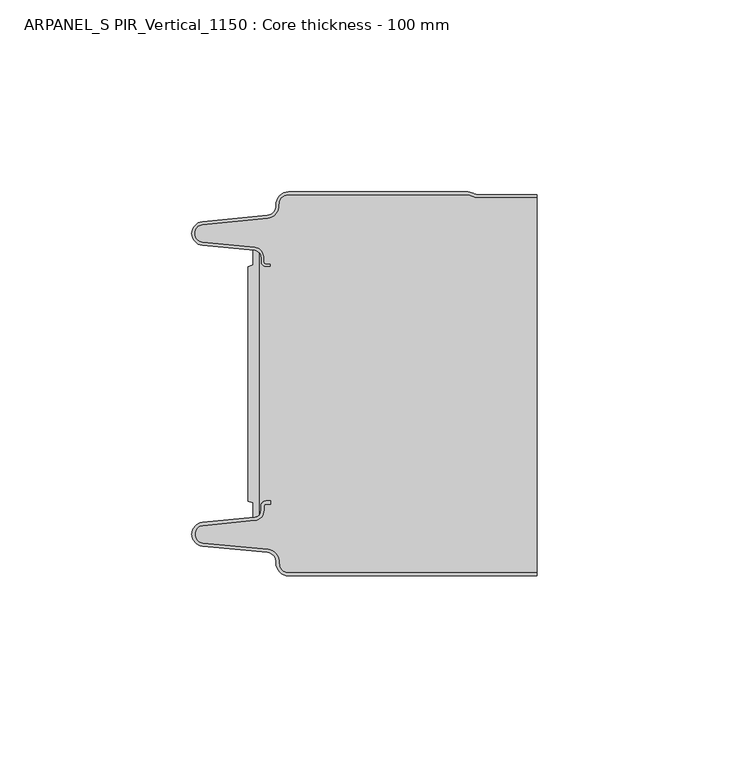
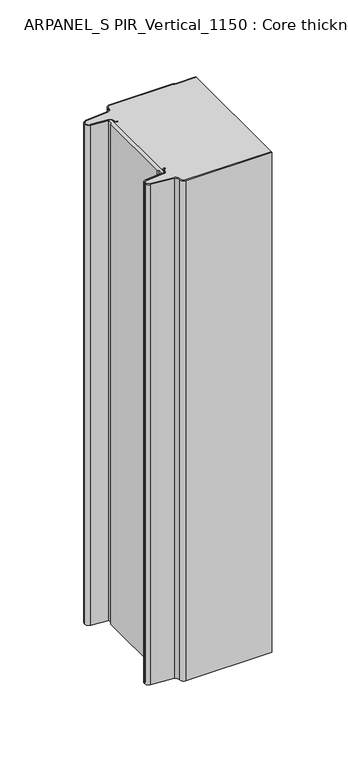
"""IFC4 building model written with IfcOpenShell, lengths in millimetres: plate geometry, ARPANEL_S PIR_Vertical_1150 : Core thickness - 100 mm."""

from ifc_helpers import new_model, si_unit, point, frame, frame_2d, origin, origin_with_axes, place, context, project, spatial, polyline, circle_curve, trimmed, segment, composite_curve, outline, extrude, source, transform, mapped, element, save
from ifc_brep_helpers import plane_surface, cylinder_surface, revolved_surface, advanced_brep


def arpanel_s_pir_vertical_1150_core_thickness_100_mm_01d9d8d1(model_context):
    return source(origin(), model_context, "Body", "SolidModel", [
        extrude(outline(composite_curve([segment(polyline([(-30.2854621, -19.4639745), (-29.0682893, -19.0209598), (-29.0682893, -15.20918)]), True, "CONTINUOUS"), segment(trimmed(circle_curve(frame_2d((-28.9194754, -17.302662)), 2.0987645), [point((-29.0682893, -15.20918))], [point((-27.4659308, -15.7887199))], False, "CARTESIAN"), True, "CONTINUOUS"), segment(polyline([(-27.4659308, -15.7887199), (-27.4659308, -84.2112801)]), True, "CONTINUOUS"), segment(trimmed(circle_curve(frame_2d((-28.9194754, -82.697338)), 2.0987645), [point((-27.4659308, -84.2112801))], [point((-29.0682893, -84.79082))], False, "CARTESIAN"), True, "CONTINUOUS"), segment(polyline([(-29.0682893, -84.79082), (-29.0682893, -80.9790402), (-30.2854621, -80.5360255), (-30.2854621, -19.4639745)]), True, "CONTINUOUS")], self_intersect=False)), origin_with_axes(), (0.0, 0.0, 1.0), 400.0),
        advanced_brep(
        [(-19.8000003, -99.9996949, 0.0), (-22.9923632, -96.5787437, 0.0), (-25.2560431, -93.9171154, 0.0), (-42.2115315, -92.2546153, 0.0), (-44.9999998, -89.1776715, 0.0), (-42.2115315, -86.1007278, 0.0), (-28.6195785, -84.7680252, 0.0), (-26.9952277, -82.9766159, 0.0), (-26.9952277, -81.8996949, 0.0), (-25.5952277, -80.4996949, 0.0), (-24.4952277, -80.4996949, 0.0), (-24.4952277, -81.2996949, 0.0), (-25.5952277, -81.2996949, 0.0), (-26.1952277, -81.8996949, 0.0), (-26.1952277, -82.9766159, 0.0), (-28.5415122, -85.5642071, 0.0), (-42.1334652, -86.8969097, 0.0), (-44.1999997, -89.1776715, 0.0), (-42.1334652, -91.4584333, 0.0), (-25.1779767, -93.1209335, 0.0), (-22.2078761, -96.6330399, 0.0), (-19.8000003, -99.1996949, 0.0), (44.9999998, -99.2, 0.0), (44.9999998, -99.9996949, 0.0), (-19.8000003, -99.1996949, 400.0), (-22.1942724, -96.6339815, 400.0), (-25.1779767, -93.1209335, 400.0), (-42.1334652, -91.4584333, 400.0), (-44.1999997, -89.1776715, 400.0), (-42.1334652, -86.8969097, 400.0), (-28.5415122, -85.5642071, 400.0), (-26.1952277, -82.9766159, 400.0), (-26.1952277, -81.8996949, 400.0), (-25.5952277, -81.2996949, 400.0), (-24.4952277, -81.2996949, 400.0), (-24.4952277, -80.4996949, 400.0), (-25.5952277, -80.4996949, 400.0), (-26.9952277, -81.8996949, 400.0), (-26.9952277, -82.9766159, 400.0), (-28.6195785, -84.7680252, 400.0), (-42.2115315, -86.1007278, 400.0), (-44.9999998, -89.1776715, 400.0), (-42.2115315, -92.2546153, 400.0), (-25.2560431, -93.9171154, 400.0), (-23.0059668, -96.5778021, 400.0), (-19.8000003, -99.9996949, 400.0), (44.9999998, -99.9996949, 400.0), (44.9999998, -99.2, 400.0)],
        [
            (0, 1, circle_curve(frame((-19.8000003, -96.7996949, 0.0), z_axis=(0.0, 0.0, -1.0), x_axis=(1.0, 0.0, 0.0)), 3.2)),
            (1, 2, circle_curve(frame((-25.5000003, -96.4051839, 0.0), z_axis=(0.0, 0.0, 1.0), x_axis=(1.0, 0.0, 0.0)), 2.5)),
            (2, 3),
            (3, 4, circle_curve(frame((-41.9100003, -89.1793626, 0.0), z_axis=(0.0, 0.0, -1.0), x_axis=(1.0, 0.0, 0.0)), 3.09)),
            (4, 5, circle_curve(frame((-41.9100003, -89.1759805, 0.0), z_axis=(0.0, 0.0, -1.0), x_axis=(1.0, 0.0, 0.0)), 3.09)),
            (5, 6),
            (6, 7, circle_curve(frame((-28.7952277, -82.9766159, 0.0), z_axis=(0.0, 0.0, 1.0), x_axis=(1.0, 0.0, 0.0)), 1.8)),
            (7, 8),
            (8, 9, circle_curve(frame((-25.5952277, -81.8996949, 0.0), z_axis=(0.0, 0.0, -1.0), x_axis=(1.0, 0.0, 0.0)), 1.4)),
            (9, 10),
            (10, 11),
            (11, 12),
            (12, 13, circle_curve(frame((-25.5952277, -81.8996949, 0.0), z_axis=(0.0, 0.0, 1.0), x_axis=(1.0, 0.0, 0.0)), 0.6)),
            (13, 14),
            (14, 15, circle_curve(frame((-28.7952277, -82.9766159, 0.0), z_axis=(0.0, 0.0, -1.0), x_axis=(1.0, 0.0, 0.0)), 2.6)),
            (15, 16),
            (16, 17, circle_curve(frame((-41.9100003, -89.1759805, 0.0), z_axis=(0.0, 0.0, 1.0), x_axis=(1.0, 0.0, 0.0)), 2.29)),
            (17, 18, circle_curve(frame((-41.9100003, -89.1793626, 0.0), z_axis=(0.0, 0.0, 1.0), x_axis=(1.0, 0.0, 0.0)), 2.29)),
            (18, 19),
            (19, 20, circle_curve(frame((-25.5000003, -96.4051839, 0.0), z_axis=(0.0, 0.0, -1.0), x_axis=(1.0, 0.0, 0.0)), 3.3)),
            (20, 21, circle_curve(frame((-19.8000003, -96.7996949, 0.0), z_axis=(0.0, 0.0, 1.0), x_axis=(1.0, 0.0, 0.0)), 2.4)),
            (21, 22),
            (22, 23),
            (23, 0),
            (24, 25, circle_curve(frame((-19.8000003, -96.7996949, 400.0), z_axis=(0.0, 0.0, -1.0), x_axis=(1.0, 0.0, 0.0)), 2.4)),
            (25, 26, circle_curve(frame((-25.5000003, -96.4051839, 400.0), z_axis=(0.0, 0.0, 1.0), x_axis=(1.0, 0.0, 0.0)), 3.3)),
            (26, 27),
            (27, 28, circle_curve(frame((-41.9100003, -89.1793626, 400.0), z_axis=(0.0, 0.0, -1.0), x_axis=(1.0, 0.0, 0.0)), 2.29)),
            (28, 29, circle_curve(frame((-41.9100003, -89.1759805, 400.0), z_axis=(0.0, 0.0, -1.0), x_axis=(1.0, 0.0, 0.0)), 2.29)),
            (29, 30),
            (30, 31, circle_curve(frame((-28.7952277, -82.9766159, 400.0), z_axis=(0.0, 0.0, 1.0), x_axis=(1.0, 0.0, 0.0)), 2.6)),
            (31, 32),
            (32, 33, circle_curve(frame((-25.5952277, -81.8996949, 400.0), z_axis=(0.0, 0.0, -1.0), x_axis=(1.0, 0.0, 0.0)), 0.6)),
            (33, 34),
            (34, 35),
            (35, 36),
            (36, 37, circle_curve(frame((-25.5952277, -81.8996949, 400.0), z_axis=(0.0, 0.0, 1.0), x_axis=(1.0, 0.0, 0.0)), 1.4)),
            (37, 38),
            (38, 39, circle_curve(frame((-28.7952277, -82.9766159, 400.0), z_axis=(0.0, 0.0, -1.0), x_axis=(1.0, 0.0, 0.0)), 1.8)),
            (39, 40),
            (40, 41, circle_curve(frame((-41.9100003, -89.1759805, 400.0), z_axis=(0.0, 0.0, 1.0), x_axis=(1.0, 0.0, 0.0)), 3.09)),
            (41, 42, circle_curve(frame((-41.9100003, -89.1793626, 400.0), z_axis=(0.0, 0.0, 1.0), x_axis=(1.0, 0.0, 0.0)), 3.09)),
            (42, 43),
            (43, 44, circle_curve(frame((-25.5000003, -96.4051839, 400.0), z_axis=(0.0, 0.0, -1.0), x_axis=(1.0, 0.0, 0.0)), 2.5)),
            (44, 45, circle_curve(frame((-19.8000003, -96.7996949, 400.0), z_axis=(0.0, 0.0, 1.0), x_axis=(1.0, 0.0, 0.0)), 3.2)),
            (45, 46),
            (46, 47),
            (47, 24),
            (21, 24),
            (47, 22),
            (20, 25),
            (19, 26),
            (18, 27),
            (17, 28),
            (16, 29),
            (15, 30),
            (14, 31),
            (13, 32),
            (12, 33),
            (11, 34),
            (10, 35),
            (9, 36),
            (8, 37),
            (7, 38),
            (6, 39),
            (5, 40),
            (4, 41),
            (3, 42),
            (2, 43),
            (1, 44),
            (0, 45),
            (23, 46),
        ],
        [
            plane_surface(frame((-44.9999998, -100.0, 0.0), z_axis=(0.0, 0.0, -1.0), x_axis=(0.0, 1.0, 0.0))),
            plane_surface(frame((-44.9999998, -100.0, 400.0), z_axis=(0.0, 0.0, 1.0), x_axis=(0.0, 1.0, 0.0))),
            plane_surface(frame((-19.8000003, -99.2, 0.0), z_axis=(0.0, 1.0, 0.0), x_axis=(0.0, 0.0, 1.0))),
            revolved_surface(polyline([(-17.400000300000002, -96.7996949, 400.0), (-17.400000300000002, -96.7996949, 0.0)]), (-19.8000003, -96.7996949, 0.0), (0.0, 0.0, 1.0)),
            cylinder_surface(frame((-25.5000003, -96.4051839, 0.0), z_axis=(0.0, 0.0, -1.0), x_axis=(1.0, 0.0, 0.0)), 3.3),
            plane_surface(frame((-42.1334652, -91.4584333, 0.0), z_axis=(0.09758289975914758, 0.9952273999818314, 0.0), x_axis=(0.0, 0.0, 1.0))),
            revolved_surface(polyline([(-39.6200003, -89.1793626, 400.0), (-39.6200003, -89.1793626, 0.0)]), (-41.9100003, -89.1793626, 0.0), (0.0, 0.0, 1.0)),
            revolved_surface(polyline([(-39.6200003, -89.1759805, 400.0), (-39.6200003, -89.1759805, 0.0)]), (-41.9100003, -89.1759805, 0.0), (0.0, 0.0, 1.0)),
            plane_surface(frame((-28.5415122, -85.5642071, 0.0), z_axis=(0.09758289975914383, -0.9952273999818317, 0.0), x_axis=(0.0, 0.0, 1.0))),
            cylinder_surface(frame((-28.7952277, -82.9766159, 0.0), z_axis=(0.0, 0.0, -1.0), x_axis=(1.0, 0.0, 0.0)), 2.6),
            plane_surface(frame((-26.1952277, -81.8996949, 0.0), z_axis=(1.0, 0.0, 0.0), x_axis=(0.0, 0.0, 1.0))),
            revolved_surface(polyline([(-24.995227699999997, -81.8996949, 400.0), (-24.995227699999997, -81.8996949, 0.0)]), (-25.5952277, -81.8996949, 0.0), (0.0, 0.0, 1.0)),
            plane_surface(frame((-24.4952277, -81.2996949, 0.0), z_axis=(0.0, -1.0, 0.0), x_axis=(0.0, 0.0, 1.0))),
            plane_surface(frame((-24.4952277, -80.4996949, 0.0), z_axis=(1.0, 0.0, 0.0), x_axis=(0.0, 0.0, 1.0))),
            plane_surface(frame((-25.5952277, -80.4996949, 0.0), z_axis=(0.0, 1.0, 0.0), x_axis=(0.0, 0.0, 1.0))),
            cylinder_surface(frame((-25.5952277, -81.8996949, 0.0), z_axis=(0.0, 0.0, -1.0), x_axis=(1.0, 0.0, 0.0)), 1.4),
            plane_surface(frame((-26.9952277, -82.9766159, 0.0), z_axis=(-1.0, 0.0, 0.0), x_axis=(0.0, 0.0, 1.0))),
            revolved_surface(polyline([(-26.9952277, -82.9766159, 400.0), (-26.9952277, -82.9766159, 0.0)]), (-28.7952277, -82.9766159, 0.0), (0.0, 0.0, 1.0)),
            plane_surface(frame((-42.2115315, -86.1007278, 0.0), z_axis=(-0.09758289975914387, 0.9952273999818317, 0.0), x_axis=(0.0, 0.0, 1.0))),
            cylinder_surface(frame((-41.9100003, -89.1759805, 0.0), z_axis=(0.0, 0.0, -1.0), x_axis=(1.0, 0.0, 0.0)), 3.09),
            cylinder_surface(frame((-41.9100003, -89.1793626, 0.0), z_axis=(0.0, 0.0, -1.0), x_axis=(1.0, 0.0, 0.0)), 3.09),
            plane_surface(frame((-25.2560431, -93.9171154, 0.0), z_axis=(-0.09758289975914762, -0.9952273999818314, 0.0), x_axis=(0.0, 0.0, 1.0))),
            revolved_surface(polyline([(-23.0000003, -96.4051839, 400.0), (-23.0000003, -96.4051839, 0.0)]), (-25.5000003, -96.4051839, 0.0), (0.0, 0.0, 1.0)),
            cylinder_surface(frame((-19.8000003, -96.7996949, 0.0), z_axis=(0.0, 0.0, -1.0), x_axis=(1.0, 0.0, 0.0)), 3.2),
            plane_surface(frame((1121.009932, -99.9996949, 0.0), z_axis=(0.0, -1.0, 0.0), x_axis=(0.0, 0.0, 1.0))),
            plane_surface(frame((44.9999998, 180.0, 400.0), z_axis=(1.0, 0.0, 0.0), x_axis=(0.0, 0.0, -1.0))),
        ],
        [
            (0, [[1, 2, 3, 4, 5, 6, 7, 8, 9, 10, 11, 12, 13, 14, 15, 16, 17, 18, 19, 20, 21, 22, 23, 24]]),
            (1, [[25, 26, 27, 28, 29, 30, 31, 32, 33, 34, 35, 36, 37, 38, 39, 40, 41, 42, 43, 44, 45, 46, 47, 48]]),
            (2, [[49, -48, 50, -22]]),
            (3, [[-21, 51, -25, -49]]),
            (4, [[-20, 52, -26, -51]]),
            (5, [[-19, 53, -27, -52]]),
            (6, [[-18, 54, -28, -53]]),
            (7, [[-17, 55, -29, -54]]),
            (8, [[-16, 56, -30, -55]]),
            (9, [[-15, 57, -31, -56]]),
            (10, [[-14, 58, -32, -57]]),
            (11, [[-13, 59, -33, -58]]),
            (12, [[-12, 60, -34, -59]]),
            (13, [[-11, 61, -35, -60]]),
            (14, [[-10, 62, -36, -61]]),
            (15, [[-9, 63, -37, -62]]),
            (16, [[-8, 64, -38, -63]]),
            (17, [[-7, 65, -39, -64]]),
            (18, [[-6, 66, -40, -65]]),
            (19, [[-5, 67, -41, -66]]),
            (20, [[-4, 68, -42, -67]]),
            (21, [[-3, 69, -43, -68]]),
            (22, [[-2, 70, -44, -69]]),
            (23, [[-1, 71, -45, -70]]),
            (24, [[-71, -24, 72, -46]]),
            (25, [[-23, -50, -47, -72]]),
        ],
    ),
        advanced_brep(
        [(-26.9952277, -17.0233841, 400.0), (-27.4671027, -15.8084422, 400.0), (-27.4671027, -84.1915578, 400.0), (-26.9952277, -82.9766159, 400.0), (-26.9952277, -81.8996949, 400.0), (-25.5952277, -80.4996949, 400.0), (-24.4952277, -80.4996949, 400.0), (-24.4952277, -81.2996949, 400.0), (-25.5952277, -81.2996949, 400.0), (-26.1952277, -81.8996949, 400.0), (-26.1952277, -82.9766159, 400.0), (-28.5415122, -85.5642071, 400.0), (-42.1334652, -86.8969097, 400.0), (-44.1999997, -89.1776715, 400.0), (-42.1334652, -91.4584333, 400.0), (-25.1779767, -93.1209335, 400.0), (-22.2078761, -96.6330399, 400.0), (-19.8000003, -99.1996949, 400.0), (44.9999998, -99.2, 400.0), (44.9999998, -1.5003051, 400.0), (29.4172165, -1.5003051, 400.0), (27.9978051, -1.0971009, 400.0), (26.9454197, -0.8, 400.0), (-19.8000003, -0.8, 400.0), (-22.1942724, -3.3660185, 400.0), (-25.1779767, -6.8790665, 400.0), (-42.1334652, -8.5415667, 400.0), (-44.1999997, -10.8223285, 400.0), (-42.1334652, -13.1030903, 400.0), (-28.5415122, -14.4357929, 400.0), (-26.1952277, -17.0233841, 400.0), (-26.1952277, -18.1003051, 400.0), (-25.5952277, -18.7003051, 400.0), (-24.4952277, -18.7003051, 400.0), (-24.4952277, -19.5003051, 400.0), (-25.5952277, -19.5003051, 400.0), (-26.9952277, -18.1003051, 400.0), (-27.4671027, -15.8084422, 0.0), (-26.9952277, -17.0233841, 0.0), (-26.9952277, -18.1003051, 0.0), (-25.5952277, -19.5003051, 0.0), (-24.4952277, -19.5003051, 0.0), (-24.4952277, -18.7003051, 0.0), (-25.5952277, -18.7003051, 0.0), (-26.1952277, -18.1003051, 0.0), (-26.1952277, -17.0233841, 0.0), (-28.5415122, -14.4357929, 0.0), (-42.1334652, -13.1030903, 0.0), (-44.1999997, -10.8223285, 0.0), (-42.1334652, -8.5415667, 0.0), (-25.1779767, -6.8790665, 0.0), (-22.2078761, -3.3669601, 0.0), (-19.8000003, -0.8003051, 0.0), (26.9454197, -0.8, 0.0), (27.9968355, -1.0986697, 0.0), (29.4172165, -1.5003051, 0.0), (44.9999998, -1.5003051, 0.0), (44.9999998, -99.2, 0.0), (-19.8000003, -99.2, 0.0), (-22.1942724, -96.6339815, 0.0), (-25.1779767, -93.1209335, 0.0), (-42.1334652, -91.4584333, 0.0), (-44.1999997, -89.1776715, 0.0), (-42.1334652, -86.8969097, 0.0), (-28.5415122, -85.5642071, 0.0), (-26.1952277, -82.9766159, 0.0), (-26.1952277, -81.8996949, 0.0), (-25.5952277, -81.2996949, 0.0), (-24.4952277, -81.2996949, 0.0), (-24.4952277, -80.4996949, 0.0), (-25.5952277, -80.4996949, 0.0), (-26.9952277, -81.8996949, 0.0), (-26.9952277, -82.9766159, 0.0), (-27.4671027, -84.1915578, 0.0)],
        [
            (0, 1, circle_curve(frame((-28.7952277, -17.0233841, 400.0), z_axis=(0.0, 0.0, 1.0), x_axis=(1.0, 0.0, 0.0)), 1.8)),
            (1, 2),
            (2, 3, circle_curve(frame((-28.7952277, -82.9766159, 400.0), z_axis=(0.0, 0.0, 1.0), x_axis=(1.0, 0.0, 0.0)), 1.8)),
            (3, 4),
            (4, 5, circle_curve(frame((-25.5952277, -81.8996949, 400.0), z_axis=(0.0, 0.0, -1.0), x_axis=(1.0, 0.0, 0.0)), 1.4)),
            (5, 6),
            (6, 7),
            (7, 8),
            (8, 9, circle_curve(frame((-25.5952277, -81.8996949, 400.0), z_axis=(0.0, 0.0, 1.0), x_axis=(1.0, 0.0, 0.0)), 0.6)),
            (9, 10),
            (10, 11, circle_curve(frame((-28.7952277, -82.9766159, 400.0), z_axis=(0.0, 0.0, -1.0), x_axis=(1.0, 0.0, 0.0)), 2.6)),
            (11, 12),
            (12, 13, circle_curve(frame((-41.9100003, -89.1759805, 400.0), z_axis=(0.0, 0.0, 1.0), x_axis=(1.0, 0.0, 0.0)), 2.29)),
            (13, 14, circle_curve(frame((-41.9100003, -89.1793626, 400.0), z_axis=(0.0, 0.0, 1.0), x_axis=(1.0, 0.0, 0.0)), 2.29)),
            (14, 15),
            (15, 16, circle_curve(frame((-25.5000003, -96.4051839, 400.0), z_axis=(0.0, 0.0, -1.0), x_axis=(1.0, 0.0, 0.0)), 3.3)),
            (16, 17, circle_curve(frame((-19.8000003, -96.7996949, 400.0), z_axis=(0.0, 0.0, 1.0), x_axis=(1.0, 0.0, 0.0)), 2.4)),
            (17, 18),
            (18, 19),
            (19, 20),
            (20, 21, circle_curve(frame((29.4172165, 1.1996949, 400.0), z_axis=(0.0, 0.0, -1.0), x_axis=(1.0, 0.0, 0.0)), 2.7)),
            (21, 22, circle_curve(frame((26.9454197, -2.8, 400.0), z_axis=(0.0, 0.0, 1.0), x_axis=(1.0, 0.0, 0.0)), 2.0)),
            (22, 23),
            (23, 24, circle_curve(frame((-19.8000003, -3.2003051, 400.0), z_axis=(0.0, 0.0, 1.0), x_axis=(1.0, 0.0, 0.0)), 2.4)),
            (24, 25, circle_curve(frame((-25.5000003, -3.5948161, 400.0), z_axis=(0.0, 0.0, -1.0), x_axis=(1.0, 0.0, 0.0)), 3.3)),
            (25, 26),
            (26, 27, circle_curve(frame((-41.9100003, -10.8206374, 400.0), z_axis=(0.0, 0.0, 1.0), x_axis=(1.0, 0.0, 0.0)), 2.29)),
            (27, 28, circle_curve(frame((-41.9100003, -10.8240195, 400.0), z_axis=(0.0, 0.0, 1.0), x_axis=(1.0, 0.0, 0.0)), 2.29)),
            (28, 29),
            (29, 30, circle_curve(frame((-28.7952277, -17.0233841, 400.0), z_axis=(0.0, 0.0, -1.0), x_axis=(1.0, 0.0, 0.0)), 2.6)),
            (30, 31),
            (31, 32, circle_curve(frame((-25.5952277, -18.1003051, 400.0), z_axis=(0.0, 0.0, 1.0), x_axis=(1.0, 0.0, 0.0)), 0.6)),
            (32, 33),
            (33, 34),
            (34, 35),
            (35, 36, circle_curve(frame((-25.5952277, -18.1003051, 400.0), z_axis=(0.0, 0.0, -1.0), x_axis=(1.0, 0.0, 0.0)), 1.4)),
            (36, 0),
            (37, 38, circle_curve(frame((-28.7952277, -17.0233841, 0.0), z_axis=(0.0, 0.0, -1.0), x_axis=(1.0, 0.0, 0.0)), 1.8)),
            (38, 39),
            (39, 40, circle_curve(frame((-25.5952277, -18.1003051, 0.0), z_axis=(0.0, 0.0, 1.0), x_axis=(1.0, 0.0, 0.0)), 1.4)),
            (40, 41),
            (41, 42),
            (42, 43),
            (43, 44, circle_curve(frame((-25.5952277, -18.1003051, 0.0), z_axis=(0.0, 0.0, -1.0), x_axis=(1.0, 0.0, 0.0)), 0.6)),
            (44, 45),
            (45, 46, circle_curve(frame((-28.7952277, -17.0233841, 0.0), z_axis=(0.0, 0.0, 1.0), x_axis=(1.0, 0.0, 0.0)), 2.6)),
            (46, 47),
            (47, 48, circle_curve(frame((-41.9100003, -10.8240195, 0.0), z_axis=(0.0, 0.0, -1.0), x_axis=(1.0, 0.0, 0.0)), 2.29)),
            (48, 49, circle_curve(frame((-41.9100003, -10.8206374, 0.0), z_axis=(0.0, 0.0, -1.0), x_axis=(1.0, 0.0, 0.0)), 2.29)),
            (49, 50),
            (50, 51, circle_curve(frame((-25.5000003, -3.5948161, 0.0), z_axis=(0.0, 0.0, 1.0), x_axis=(1.0, 0.0, 0.0)), 3.3)),
            (51, 52, circle_curve(frame((-19.8000003, -3.2003051, 0.0), z_axis=(0.0, 0.0, -1.0), x_axis=(1.0, 0.0, 0.0)), 2.4)),
            (52, 53),
            (53, 54, circle_curve(frame((26.9454197, -2.8, 0.0), z_axis=(0.0, 0.0, -1.0), x_axis=(1.0, 0.0, 0.0)), 2.0)),
            (54, 55, circle_curve(frame((29.4172165, 1.1996949, 0.0), z_axis=(0.0, 0.0, 1.0), x_axis=(1.0, 0.0, 0.0)), 2.7)),
            (55, 56),
            (56, 57),
            (57, 58),
            (58, 59, circle_curve(frame((-19.8000003, -96.7996949, 0.0), z_axis=(0.0, 0.0, -1.0), x_axis=(1.0, 0.0, 0.0)), 2.4)),
            (59, 60, circle_curve(frame((-25.5000003, -96.4051839, 0.0), z_axis=(0.0, 0.0, 1.0), x_axis=(1.0, 0.0, 0.0)), 3.3)),
            (60, 61),
            (61, 62, circle_curve(frame((-41.9100003, -89.1793626, 0.0), z_axis=(0.0, 0.0, -1.0), x_axis=(1.0, 0.0, 0.0)), 2.29)),
            (62, 63, circle_curve(frame((-41.9100003, -89.1759805, 0.0), z_axis=(0.0, 0.0, -1.0), x_axis=(1.0, 0.0, 0.0)), 2.29)),
            (63, 64),
            (64, 65, circle_curve(frame((-28.7952277, -82.9766159, 0.0), z_axis=(0.0, 0.0, 1.0), x_axis=(1.0, 0.0, 0.0)), 2.6)),
            (65, 66),
            (66, 67, circle_curve(frame((-25.5952277, -81.8996949, 0.0), z_axis=(0.0, 0.0, -1.0), x_axis=(1.0, 0.0, 0.0)), 0.6)),
            (67, 68),
            (68, 69),
            (69, 70),
            (70, 71, circle_curve(frame((-25.5952277, -81.8996949, 0.0), z_axis=(0.0, 0.0, 1.0), x_axis=(1.0, 0.0, 0.0)), 1.4)),
            (71, 72),
            (72, 73, circle_curve(frame((-28.7952277, -82.9766159, 0.0), z_axis=(0.0, 0.0, -1.0), x_axis=(1.0, 0.0, 0.0)), 1.8)),
            (73, 37),
            (1, 37),
            (73, 2),
            (0, 38),
            (36, 39),
            (35, 40),
            (34, 41),
            (42, 33),
            (32, 43),
            (31, 44),
            (30, 45),
            (29, 46),
            (28, 47),
            (27, 48),
            (26, 49),
            (25, 50),
            (24, 51),
            (23, 52),
            (22, 53),
            (21, 54),
            (20, 55),
            (19, 56),
            (17, 58),
            (57, 18),
            (16, 59),
            (15, 60),
            (14, 61),
            (13, 62),
            (12, 63),
            (11, 64),
            (10, 65),
            (9, 66),
            (8, 67),
            (7, 68),
            (6, 69),
            (5, 70),
            (4, 71),
            (3, 72),
        ],
        [
            plane_surface(frame((-44.9999998, 0.0, 400.0), z_axis=(0.0, 0.0, 1.0), x_axis=(0.0, -1.0, 0.0))),
            plane_surface(frame((-44.9999998, 0.0, 0.0), z_axis=(0.0, 0.0, -1.0), x_axis=(0.0, -1.0, 0.0))),
            plane_surface(frame((-27.4671027, -14.998578, 400.0), z_axis=(-1.0, 0.0, 0.0), x_axis=(0.0, 0.0, -1.0))),
            cylinder_surface(frame((-28.7952277, -17.0233841, 530.0), z_axis=(0.0, 0.0, -1.0), x_axis=(1.0, 0.0, 0.0)), 1.8),
            plane_surface(frame((-26.9952277, -17.0233841, 530.0), z_axis=(1.0, 0.0, 0.0), x_axis=(0.0, 0.0, -1.0))),
            revolved_surface(polyline([(-24.1952277, -18.1003051, 400.0), (-24.1952277, -18.1003051, 0.0)]), (-25.5952277, -18.1003051, 530.0), (0.0, 0.0, 1.0)),
            plane_surface(frame((-25.5952277, -19.5003051, 530.0), z_axis=(0.0, 1.0, 0.0), x_axis=(0.0, 0.0, -1.0))),
            plane_surface(frame((-24.4952277, -18.7003051, 530.0), z_axis=(0.0, -1.0, 0.0), x_axis=(0.0, 0.0, -1.0))),
            cylinder_surface(frame((-25.5952277, -18.1003051, 530.0), z_axis=(0.0, 0.0, -1.0), x_axis=(1.0, 0.0, 0.0)), 0.6),
            plane_surface(frame((-26.1952277, -18.1003051, 530.0), z_axis=(-1.0, 0.0, 0.0), x_axis=(0.0, 0.0, -1.0))),
            revolved_surface(polyline([(-26.1952277, -17.0233841, 400.0), (-26.1952277, -17.0233841, 0.0)]), (-28.7952277, -17.0233841, 530.0), (0.0, 0.0, 1.0)),
            plane_surface(frame((-28.5415122, -14.4357929, 530.0), z_axis=(-0.09758289975914705, -0.9952273999818314, 0.0), x_axis=(0.0, 0.0, -1.0))),
            cylinder_surface(frame((-41.9100003, -10.8240195, 530.0), z_axis=(0.0, 0.0, -1.0), x_axis=(1.0, 0.0, 0.0)), 2.29),
            cylinder_surface(frame((-41.9100003, -10.8206374, 530.0), z_axis=(0.0, 0.0, -1.0), x_axis=(1.0, 0.0, 0.0)), 2.29),
            plane_surface(frame((-42.1334652, -8.5415667, 530.0), z_axis=(-0.09758289975914436, 0.9952273999818317, 0.0), x_axis=(0.0, 0.0, -1.0))),
            revolved_surface(polyline([(-22.2000003, -3.5948161, 400.0), (-22.2000003, -3.5948161, 0.0)]), (-25.5000003, -3.5948161, 530.0), (0.0, 0.0, 1.0)),
            cylinder_surface(frame((-19.8000003, -3.2003051, 530.0), z_axis=(0.0, 0.0, -1.0), x_axis=(1.0, 0.0, 0.0)), 2.4),
            plane_surface(frame((-19.8000003, -0.8, 530.0), z_axis=(0.0, 1.0, 0.0), x_axis=(0.0, 0.0, -1.0))),
            cylinder_surface(frame((26.9454197, -2.8, 530.0), z_axis=(0.0, 0.0, -1.0), x_axis=(1.0, 0.0, 0.0)), 2.0),
            revolved_surface(polyline([(32.1172165, 1.1996949, 400.0), (32.1172165, 1.1996949, 0.0)]), (29.4172165, 1.1996949, 530.0), (0.0, 0.0, 1.0)),
            plane_surface(frame((29.4172165, -1.5003051, 530.0), z_axis=(0.0, 1.0, 0.0), x_axis=(0.0, 0.0, -1.0))),
            plane_surface(frame((-24.4952277, -19.5003051, 530.0), z_axis=(-1.0, 0.0, 0.0), x_axis=(0.0, 0.0, -1.0))),
            plane_surface(frame((1121.009932, -99.2, 530.0), z_axis=(0.0, -1.0, 0.0), x_axis=(0.0, 0.0, -1.0))),
            cylinder_surface(frame((-19.8000003, -96.7996949, 530.0), z_axis=(0.0, 0.0, -1.0), x_axis=(1.0, 0.0, 0.0)), 2.4),
            revolved_surface(polyline([(-22.2000003, -96.4051839, 400.0), (-22.2000003, -96.4051839, 0.0)]), (-25.5000003, -96.4051839, 530.0), (0.0, 0.0, 1.0)),
            plane_surface(frame((-25.1779767, -93.1209335, 530.0), z_axis=(-0.09758289975914758, -0.9952273999818314, 0.0), x_axis=(0.0, 0.0, -1.0))),
            cylinder_surface(frame((-41.9100003, -89.1793626, 530.0), z_axis=(0.0, 0.0, -1.0), x_axis=(1.0, 0.0, 0.0)), 2.29),
            cylinder_surface(frame((-41.9100003, -89.1759805, 530.0), z_axis=(0.0, 0.0, -1.0), x_axis=(1.0, 0.0, 0.0)), 2.29),
            plane_surface(frame((-42.1334652, -86.8969097, 530.0), z_axis=(-0.09758289975914383, 0.9952273999818317, 0.0), x_axis=(0.0, 0.0, -1.0))),
            revolved_surface(polyline([(-26.1952277, -82.9766159, 400.0), (-26.1952277, -82.9766159, 0.0)]), (-28.7952277, -82.9766159, 530.0), (0.0, 0.0, 1.0)),
            plane_surface(frame((-26.1952277, -82.9766159, 530.0), z_axis=(-1.0, 0.0, 0.0), x_axis=(0.0, 0.0, -1.0))),
            cylinder_surface(frame((-25.5952277, -81.8996949, 530.0), z_axis=(0.0, 0.0, -1.0), x_axis=(1.0, 0.0, 0.0)), 0.6),
            plane_surface(frame((-25.5952277, -81.2996949, 530.0), z_axis=(0.0, 1.0, 0.0), x_axis=(0.0, 0.0, -1.0))),
            plane_surface(frame((-24.4952277, -81.2996949, 530.0), z_axis=(-1.0, 0.0, 0.0), x_axis=(0.0, 0.0, -1.0))),
            plane_surface(frame((-24.4952277, -80.4996949, 530.0), z_axis=(0.0, -1.0, 0.0), x_axis=(0.0, 0.0, -1.0))),
            revolved_surface(polyline([(-24.1952277, -81.8996949, 400.0), (-24.1952277, -81.8996949, 0.0)]), (-25.5952277, -81.8996949, 530.0), (0.0, 0.0, 1.0)),
            plane_surface(frame((-26.9952277, -81.8996949, 530.0), z_axis=(1.0, 0.0, 0.0), x_axis=(0.0, 0.0, -1.0))),
            cylinder_surface(frame((-28.7952277, -82.9766159, 530.0), z_axis=(0.0, 0.0, -1.0), x_axis=(1.0, 0.0, 0.0)), 1.8),
            plane_surface(frame((44.9999998, 180.0, 400.0), z_axis=(1.0, 0.0, 0.0), x_axis=(0.0, 0.0, -1.0))),
        ],
        [
            (0, [[1, 2, 3, 4, 5, 6, 7, 8, 9, 10, 11, 12, 13, 14, 15, 16, 17, 18, 19, 20, 21, 22, 23, 24, 25, 26, 27, 28, 29, 30, 31, 32, 33, 34, 35, 36, 37]]),
            (1, [[38, 39, 40, 41, 42, 43, 44, 45, 46, 47, 48, 49, 50, 51, 52, 53, 54, 55, 56, 57, 58, 59, 60, 61, 62, 63, 64, 65, 66, 67, 68, 69, 70, 71, 72, 73, 74]]),
            (2, [[75, -74, 76, -2]]),
            (3, [[77, -38, -75, -1]]),
            (4, [[-77, -37, 78, -39]]),
            (5, [[-78, -36, 79, -40]]),
            (6, [[-79, -35, 80, -41]]),
            (7, [[81, -33, 82, -43]]),
            (8, [[-82, -32, 83, -44]]),
            (9, [[-83, -31, 84, -45]]),
            (10, [[-84, -30, 85, -46]]),
            (11, [[-85, -29, 86, -47]]),
            (12, [[-86, -28, 87, -48]]),
            (13, [[-87, -27, 88, -49]]),
            (14, [[-88, -26, 89, -50]]),
            (15, [[-89, -25, 90, -51]]),
            (16, [[-90, -24, 91, -52]]),
            (17, [[-91, -23, 92, -53]]),
            (18, [[-92, -22, 93, -54]]),
            (19, [[-93, -21, 94, -55]]),
            (20, [[-94, -20, 95, -56]]),
            (21, [[-81, -42, -80, -34]]),
            (22, [[96, -58, 97, -18]]),
            (23, [[-96, -17, 98, -59]]),
            (24, [[-98, -16, 99, -60]]),
            (25, [[-99, -15, 100, -61]]),
            (26, [[-100, -14, 101, -62]]),
            (27, [[-101, -13, 102, -63]]),
            (28, [[-102, -12, 103, -64]]),
            (29, [[-103, -11, 104, -65]]),
            (30, [[-104, -10, 105, -66]]),
            (31, [[-105, -9, 106, -67]]),
            (32, [[-106, -8, 107, -68]]),
            (33, [[-107, -7, 108, -69]]),
            (34, [[-108, -6, 109, -70]]),
            (35, [[-109, -5, 110, -71]]),
            (36, [[-110, -4, 111, -72]]),
            (37, [[-111, -3, -76, -73]]),
            (38, [[-95, -19, -97, -57]]),
        ],
    ),
        advanced_brep(
        [(27.9968355, -1.0986697, 0.0), (26.9454197, -0.8, 0.0), (-19.8000003, -0.8, 0.0), (-22.1942724, -3.3660185, 0.0), (-25.1779767, -6.8790665, 0.0), (-42.1334652, -8.5415667, 0.0), (-44.1999997, -10.8223285, 0.0), (-42.1334652, -13.1030903, 0.0), (-28.5415122, -14.4357929, 0.0), (-26.1952277, -17.0233841, 0.0), (-26.1952277, -18.1003051, 0.0), (-25.5952277, -18.7003051, 0.0), (-24.4952277, -18.7003051, 0.0), (-24.4952277, -19.5003051, 0.0), (-25.5952277, -19.5003051, 0.0), (-26.9952277, -18.1003051, 0.0), (-26.9952277, -17.0233841, 0.0), (-28.6195785, -15.2319748, 0.0), (-42.2115315, -13.8992722, 0.0), (-44.9999998, -10.8223285, 0.0), (-42.2115315, -7.7453847, 0.0), (-25.2560431, -6.0828846, 0.0), (-23.0059668, -3.4221979, 0.0), (-19.8000003, -0.0003051, 0.0), (26.9454197, -0.0003051, 0.0), (28.3647528, -0.4034608, 0.0), (29.4172165, -0.7003051, 0.0), (44.9999998, -0.7003051, 0.0), (44.9999998, -1.5003051, 0.0), (29.4172165, -1.5003051, 0.0), (27.9978051, -1.0971009, 400.0), (29.4172165, -1.5003051, 400.0), (44.9999998, -1.5003051, 400.0), (44.9999998, -0.7003051, 400.0), (29.4172165, -0.7003051, 400.0), (28.3658586, -0.4016712, 400.0), (26.9454197, -0.0003051, 400.0), (-19.8000003, -0.0003051, 400.0), (-22.9923632, -3.4212563, 400.0), (-25.2560431, -6.0828846, 400.0), (-42.2115315, -7.7453847, 400.0), (-44.9999998, -10.8223285, 400.0), (-42.2115315, -13.8992722, 400.0), (-28.6195785, -15.2319748, 400.0), (-26.9952277, -17.0233841, 400.0), (-26.9952277, -18.1003051, 400.0), (-25.5952277, -19.5003051, 400.0), (-24.4952277, -19.5003051, 400.0), (-24.4952277, -18.7003051, 400.0), (-25.5952277, -18.7003051, 400.0), (-26.1952277, -18.1003051, 400.0), (-26.1952277, -17.0233841, 400.0), (-28.5415122, -14.4357929, 400.0), (-42.1334652, -13.1030903, 400.0), (-44.1999997, -10.8223285, 400.0), (-42.1334652, -8.5415667, 400.0), (-25.1779767, -6.8790665, 400.0), (-22.2078761, -3.3669601, 400.0), (-19.8000003, -0.8003051, 400.0), (26.9454197, -0.8, 400.0)],
        [
            (0, 1, circle_curve(frame((26.9454197, -2.8, 0.0), z_axis=(0.0, 0.0, 1.0), x_axis=(1.0, 0.0, 0.0)), 2.0)),
            (1, 2),
            (2, 3, circle_curve(frame((-19.8000003, -3.2003051, 0.0), z_axis=(0.0, 0.0, 1.0), x_axis=(1.0, 0.0, 0.0)), 2.4)),
            (3, 4, circle_curve(frame((-25.5000003, -3.5948161, 0.0), z_axis=(0.0, 0.0, -1.0), x_axis=(1.0, 0.0, 0.0)), 3.3)),
            (4, 5),
            (5, 6, circle_curve(frame((-41.9100003, -10.8206374, 0.0), z_axis=(0.0, 0.0, 1.0), x_axis=(1.0, 0.0, 0.0)), 2.29)),
            (6, 7, circle_curve(frame((-41.9100003, -10.8240195, 0.0), z_axis=(0.0, 0.0, 1.0), x_axis=(1.0, 0.0, 0.0)), 2.29)),
            (7, 8),
            (8, 9, circle_curve(frame((-28.7952277, -17.0233841, 0.0), z_axis=(0.0, 0.0, -1.0), x_axis=(1.0, 0.0, 0.0)), 2.6)),
            (9, 10),
            (10, 11, circle_curve(frame((-25.5952277, -18.1003051, 0.0), z_axis=(0.0, 0.0, 1.0), x_axis=(1.0, 0.0, 0.0)), 0.6)),
            (11, 12),
            (12, 13),
            (13, 14),
            (14, 15, circle_curve(frame((-25.5952277, -18.1003051, 0.0), z_axis=(0.0, 0.0, -1.0), x_axis=(1.0, 0.0, 0.0)), 1.4)),
            (15, 16),
            (16, 17, circle_curve(frame((-28.7952277, -17.0233841, 0.0), z_axis=(0.0, 0.0, 1.0), x_axis=(1.0, 0.0, 0.0)), 1.8)),
            (17, 18),
            (18, 19, circle_curve(frame((-41.9100003, -10.8240195, 0.0), z_axis=(0.0, 0.0, -1.0), x_axis=(1.0, 0.0, 0.0)), 3.09)),
            (19, 20, circle_curve(frame((-41.9100003, -10.8206374, 0.0), z_axis=(0.0, 0.0, -1.0), x_axis=(1.0, 0.0, 0.0)), 3.09)),
            (20, 21),
            (21, 22, circle_curve(frame((-25.5000003, -3.5948161, 0.0), z_axis=(0.0, 0.0, 1.0), x_axis=(1.0, 0.0, 0.0)), 2.5)),
            (22, 23, circle_curve(frame((-19.8000003, -3.2003051, 0.0), z_axis=(0.0, 0.0, -1.0), x_axis=(1.0, 0.0, 0.0)), 3.2)),
            (23, 24),
            (24, 25, circle_curve(frame((26.9454197, -2.7003051, 0.0), z_axis=(0.0, 0.0, -1.0), x_axis=(1.0, 0.0, 0.0)), 2.7)),
            (25, 26, circle_curve(frame((29.4172165, 1.2996949, 0.0), z_axis=(0.0, 0.0, 1.0), x_axis=(1.0, 0.0, 0.0)), 2.0)),
            (26, 27),
            (27, 28),
            (28, 29),
            (29, 0, circle_curve(frame((29.4172165, 1.1996949, 0.0), z_axis=(0.0, 0.0, -1.0), x_axis=(1.0, 0.0, 0.0)), 2.7)),
            (30, 31, circle_curve(frame((29.4172165, 1.1996949, 400.0), z_axis=(0.0, 0.0, 1.0), x_axis=(1.0, 0.0, 0.0)), 2.7)),
            (31, 32),
            (32, 33),
            (33, 34),
            (34, 35, circle_curve(frame((29.4172165, 1.2996949, 400.0), z_axis=(0.0, 0.0, -1.0), x_axis=(1.0, 0.0, 0.0)), 2.0)),
            (35, 36, circle_curve(frame((26.9454197, -2.7003051, 400.0), z_axis=(0.0, 0.0, 1.0), x_axis=(1.0, 0.0, 0.0)), 2.7)),
            (36, 37),
            (37, 38, circle_curve(frame((-19.8000003, -3.2003051, 400.0), z_axis=(0.0, 0.0, 1.0), x_axis=(1.0, 0.0, 0.0)), 3.2)),
            (38, 39, circle_curve(frame((-25.5000003, -3.5948161, 400.0), z_axis=(0.0, 0.0, -1.0), x_axis=(1.0, 0.0, 0.0)), 2.5)),
            (39, 40),
            (40, 41, circle_curve(frame((-41.9100003, -10.8206374, 400.0), z_axis=(0.0, 0.0, 1.0), x_axis=(1.0, 0.0, 0.0)), 3.09)),
            (41, 42, circle_curve(frame((-41.9100003, -10.8240195, 400.0), z_axis=(0.0, 0.0, 1.0), x_axis=(1.0, 0.0, 0.0)), 3.09)),
            (42, 43),
            (43, 44, circle_curve(frame((-28.7952277, -17.0233841, 400.0), z_axis=(0.0, 0.0, -1.0), x_axis=(1.0, 0.0, 0.0)), 1.8)),
            (44, 45),
            (45, 46, circle_curve(frame((-25.5952277, -18.1003051, 400.0), z_axis=(0.0, 0.0, 1.0), x_axis=(1.0, 0.0, 0.0)), 1.4)),
            (46, 47),
            (47, 48),
            (48, 49),
            (49, 50, circle_curve(frame((-25.5952277, -18.1003051, 400.0), z_axis=(0.0, 0.0, -1.0), x_axis=(1.0, 0.0, 0.0)), 0.6)),
            (50, 51),
            (51, 52, circle_curve(frame((-28.7952277, -17.0233841, 400.0), z_axis=(0.0, 0.0, 1.0), x_axis=(1.0, 0.0, 0.0)), 2.6)),
            (52, 53),
            (53, 54, circle_curve(frame((-41.9100003, -10.8240195, 400.0), z_axis=(0.0, 0.0, -1.0), x_axis=(1.0, 0.0, 0.0)), 2.29)),
            (54, 55, circle_curve(frame((-41.9100003, -10.8206374, 400.0), z_axis=(0.0, 0.0, -1.0), x_axis=(1.0, 0.0, 0.0)), 2.29)),
            (55, 56),
            (56, 57, circle_curve(frame((-25.5000003, -3.5948161, 400.0), z_axis=(0.0, 0.0, 1.0), x_axis=(1.0, 0.0, 0.0)), 3.3)),
            (57, 58, circle_curve(frame((-19.8000003, -3.2003051, 400.0), z_axis=(0.0, 0.0, -1.0), x_axis=(1.0, 0.0, 0.0)), 2.4)),
            (58, 59),
            (59, 30, circle_curve(frame((26.9454197, -2.8, 400.0), z_axis=(0.0, 0.0, -1.0), x_axis=(1.0, 0.0, 0.0)), 2.0)),
            (0, 30),
            (59, 1),
            (58, 2),
            (57, 3),
            (56, 4),
            (55, 5),
            (54, 6),
            (53, 7),
            (52, 8),
            (51, 9),
            (50, 10),
            (49, 11),
            (48, 12),
            (47, 13),
            (46, 14),
            (45, 15),
            (44, 16),
            (43, 17),
            (42, 18),
            (41, 19),
            (40, 20),
            (39, 21),
            (38, 22),
            (37, 23),
            (36, 24),
            (35, 25),
            (34, 26),
            (33, 27),
            (31, 29),
            (28, 32),
        ],
        [
            plane_surface(frame((-44.9999998, 0.0, 0.0), z_axis=(0.0, 0.0, -1.0), x_axis=(0.0, -1.0, 0.0))),
            plane_surface(frame((-44.9999998, 0.0, 400.0), z_axis=(0.0, 0.0, 1.0), x_axis=(0.0, -1.0, 0.0))),
            revolved_surface(polyline([(28.9454197, -2.8, 400.0), (28.9454197, -2.8, 0.0)]), (26.9454197, -2.8, 0.0), (0.0, 0.0, 1.0)),
            plane_surface(frame((26.9454197, -0.8, 0.0), z_axis=(0.0, -1.0, 0.0), x_axis=(0.0, 0.0, 1.0))),
            revolved_surface(polyline([(-17.400000300000002, -3.2003051, 400.0), (-17.400000300000002, -3.2003051, 0.0)]), (-19.8000003, -3.2003051, 0.0), (0.0, 0.0, 1.0)),
            cylinder_surface(frame((-25.5000003, -3.5948161, 0.0), z_axis=(0.0, 0.0, -1.0), x_axis=(1.0, 0.0, 0.0)), 3.3),
            plane_surface(frame((-25.1779767, -6.8790665, 0.0), z_axis=(0.09758289975914113, -0.9952273999818321, 0.0), x_axis=(0.0, 0.0, 1.0))),
            revolved_surface(polyline([(-39.6200003, -10.8206374, 400.0), (-39.6200003, -10.8206374, 0.0)]), (-41.9100003, -10.8206374, 0.0), (0.0, 0.0, 1.0)),
            revolved_surface(polyline([(-39.6200003, -10.8240195, 400.0), (-39.6200003, -10.8240195, 0.0)]), (-41.9100003, -10.8240195, 0.0), (0.0, 0.0, 1.0)),
            plane_surface(frame((-42.1334652, -13.1030903, 0.0), z_axis=(0.0975828997591503, 0.9952273999818312, 0.0), x_axis=(0.0, 0.0, 1.0))),
            cylinder_surface(frame((-28.7952277, -17.0233841, 0.0), z_axis=(0.0, 0.0, -1.0), x_axis=(1.0, 0.0, 0.0)), 2.6),
            plane_surface(frame((-26.1952277, -17.0233841, 0.0), z_axis=(1.0, 0.0, 0.0), x_axis=(0.0, 0.0, 1.0))),
            revolved_surface(polyline([(-24.995227699999997, -18.1003051, 400.0), (-24.995227699999997, -18.1003051, 0.0)]), (-25.5952277, -18.1003051, 0.0), (0.0, 0.0, 1.0)),
            plane_surface(frame((-25.5952277, -18.7003051, 0.0), z_axis=(0.0, 1.0, 0.0), x_axis=(0.0, 0.0, 1.0))),
            plane_surface(frame((-24.4952277, -18.7003051, 0.0), z_axis=(1.0, 0.0, 0.0), x_axis=(0.0, 0.0, 1.0))),
            plane_surface(frame((-24.4952277, -19.5003051, 0.0), z_axis=(0.0, -1.0, 0.0), x_axis=(0.0, 0.0, 1.0))),
            cylinder_surface(frame((-25.5952277, -18.1003051, 0.0), z_axis=(0.0, 0.0, -1.0), x_axis=(1.0, 0.0, 0.0)), 1.4),
            plane_surface(frame((-26.9952277, -18.1003051, 0.0), z_axis=(-1.0, 0.0, 0.0), x_axis=(0.0, 0.0, 1.0))),
            revolved_surface(polyline([(-26.9952277, -17.0233841, 400.0), (-26.9952277, -17.0233841, 0.0)]), (-28.7952277, -17.0233841, 0.0), (0.0, 0.0, 1.0)),
            plane_surface(frame((-28.6195785, -15.2319748, 0.0), z_axis=(-0.09758289975915034, -0.9952273999818312, 0.0), x_axis=(0.0, 0.0, 1.0))),
            cylinder_surface(frame((-41.9100003, -10.8240195, 0.0), z_axis=(0.0, 0.0, -1.0), x_axis=(1.0, 0.0, 0.0)), 3.09),
            cylinder_surface(frame((-41.9100003, -10.8206374, 0.0), z_axis=(0.0, 0.0, -1.0), x_axis=(1.0, 0.0, 0.0)), 3.09),
            plane_surface(frame((-42.2115315, -7.7453847, 0.0), z_axis=(-0.09758289975914117, 0.9952273999818321, 0.0), x_axis=(0.0, 0.0, 1.0))),
            revolved_surface(polyline([(-23.0000003, -3.5948161, 400.0), (-23.0000003, -3.5948161, 0.0)]), (-25.5000003, -3.5948161, 0.0), (0.0, 0.0, 1.0)),
            cylinder_surface(frame((-19.8000003, -3.2003051, 0.0), z_axis=(0.0, 0.0, -1.0), x_axis=(1.0, 0.0, 0.0)), 3.2),
            plane_surface(frame((-19.8000003, -0.0003051, 0.0), z_axis=(0.0, 1.0, 0.0), x_axis=(0.0, 0.0, 1.0))),
            cylinder_surface(frame((26.9454197, -2.7003051, 0.0), z_axis=(0.0, 0.0, -1.0), x_axis=(1.0, 0.0, 0.0)), 2.7),
            revolved_surface(polyline([(31.4172165, 1.2996949, 400.0), (31.4172165, 1.2996949, 0.0)]), (29.4172165, 1.2996949, 0.0), (0.0, 0.0, 1.0)),
            plane_surface(frame((29.4172165, -0.7003051, 0.0), z_axis=(0.0, 1.0, 0.0), x_axis=(0.0, 0.0, 1.0))),
            plane_surface(frame((79.5769997, -1.5003051, 0.0), z_axis=(0.0, -1.0, 0.0), x_axis=(0.0, 0.0, 1.0))),
            cylinder_surface(frame((29.4172165, 1.1996949, 0.0), z_axis=(0.0, 0.0, -1.0), x_axis=(1.0, 0.0, 0.0)), 2.7),
            plane_surface(frame((44.9999998, 180.0, 400.0), z_axis=(1.0, 0.0, 0.0), x_axis=(0.0, 0.0, -1.0))),
        ],
        [
            (0, [[1, 2, 3, 4, 5, 6, 7, 8, 9, 10, 11, 12, 13, 14, 15, 16, 17, 18, 19, 20, 21, 22, 23, 24, 25, 26, 27, 28, 29, 30]]),
            (1, [[31, 32, 33, 34, 35, 36, 37, 38, 39, 40, 41, 42, 43, 44, 45, 46, 47, 48, 49, 50, 51, 52, 53, 54, 55, 56, 57, 58, 59, 60]]),
            (2, [[-1, 61, -60, 62]]),
            (3, [[-2, -62, -59, 63]]),
            (4, [[-3, -63, -58, 64]]),
            (5, [[-4, -64, -57, 65]]),
            (6, [[-5, -65, -56, 66]]),
            (7, [[-6, -66, -55, 67]]),
            (8, [[-7, -67, -54, 68]]),
            (9, [[-8, -68, -53, 69]]),
            (10, [[-9, -69, -52, 70]]),
            (11, [[-10, -70, -51, 71]]),
            (12, [[-11, -71, -50, 72]]),
            (13, [[-12, -72, -49, 73]]),
            (14, [[-13, -73, -48, 74]]),
            (15, [[-14, -74, -47, 75]]),
            (16, [[-15, -75, -46, 76]]),
            (17, [[-16, -76, -45, 77]]),
            (18, [[-17, -77, -44, 78]]),
            (19, [[-18, -78, -43, 79]]),
            (20, [[-19, -79, -42, 80]]),
            (21, [[-20, -80, -41, 81]]),
            (22, [[-21, -81, -40, 82]]),
            (23, [[-22, -82, -39, 83]]),
            (24, [[-23, -83, -38, 84]]),
            (25, [[-24, -84, -37, 85]]),
            (26, [[-25, -85, -36, 86]]),
            (27, [[-26, -86, -35, 87]]),
            (28, [[-87, -34, 88, -27]]),
            (29, [[89, -29, 90, -32]]),
            (30, [[-30, -89, -31, -61]]),
            (31, [[-28, -88, -33, -90]]),
        ],
    ),
    ])


if __name__ == "__main__":
    model = new_model("IFC4")
    model_context = context("Model", 3, world=origin())
    ifc_project = project(units=[si_unit("LENGTHUNIT", "METRE", prefix="MILLI")], contexts=[model_context])
    site = spatial("IfcSite", under=ifc_project)
    building = spatial("IfcBuilding", under=site)
    placement = place(None, origin())
    arpanel_s_pir_vertical_1150_core_thickness_100_mm_shape = arpanel_s_pir_vertical_1150_core_thickness_100_mm_01d9d8d1(model_context)
    element("IfcPlate", 1, ObjectType="ARPANEL_S PIR_Vertical_1150 : Core thickness - 100 mm", at=placement, inside=building, context=model_context, shape_type="MappedRepresentation", body=[
        mapped(arpanel_s_pir_vertical_1150_core_thickness_100_mm_shape, transform((0.0, 0.0, 0.0), x_axis=(1.0, 0.0, 0.0), y_axis=(0.0, 1.0, 0.0), z_axis=(0.0, 0.0, 1.0))),
    ])
    save(model, "model.ifc")
